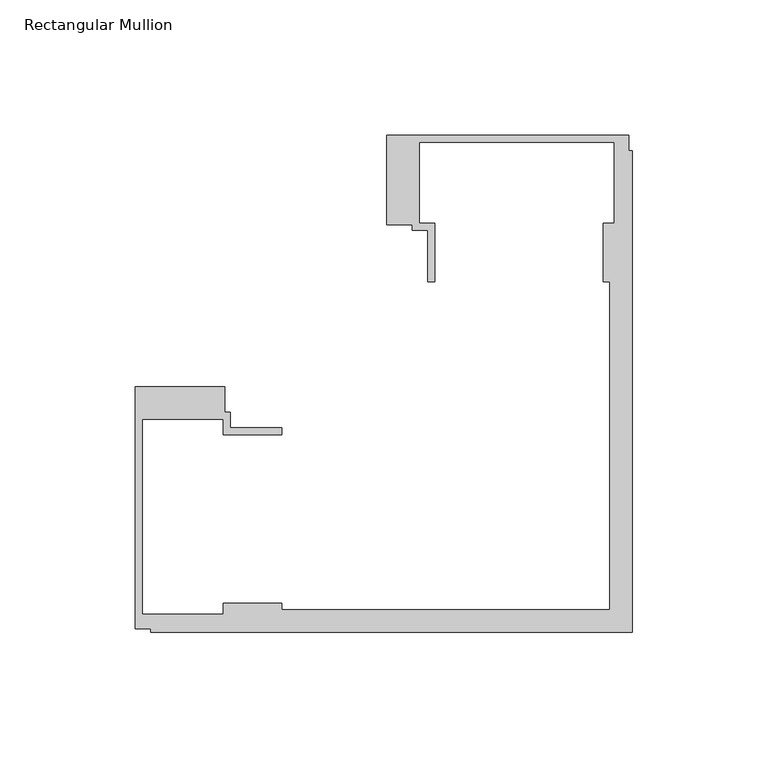
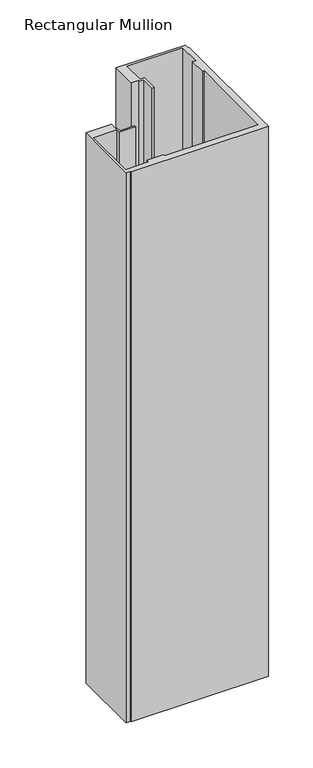
"""IFC4 building model written with IfcOpenShell, lengths in millimetres: member geometry, Rectangular Mullion."""

import ifcopenshell
import ifcopenshell.guid

model = None  # the IFC model being written
_history = None  # IfcOwnerHistory: only IFC2X3 demands one
_inside = {}  # id of a spatial element -> (the spatial element, [elements in it])
_under = {}  # id of a project, library or spatial element -> (it, [spatial elements below it])
_declared = {}  # id of a project -> (the project, [libraries it declares])
_typed = {}  # id of a type object -> (the type object, [elements of that type])
_made_of = {}  # id of a material, layer set ... -> (it, [elements and type objects made of it])


def new_model(schema):
    """Start an empty IFC model of exactly this schema.

    Asked for "IFC4X3", IfcOpenShell would pick the latest addendum, in which some entities
    have other attributes; the version numbers below select the first issue.
    IFC2X3 requires an IfcOwnerHistory on every rooted entity: one is made here for all.
    """
    global model, _history
    if schema == "IFC4X3":
        model = ifcopenshell.file(schema_version=(4, 3, 0, 0))
    else:
        model = ifcopenshell.file(schema=schema)
    _inside.clear()
    _under.clear()
    _declared.clear()
    _typed.clear()
    _made_of.clear()
    _history = None
    if model.schema == "IFC2X3":
        org = make("IfcOrganization", Name="unknown")
        user = make(
            "IfcPersonAndOrganization",
            ThePerson=make("IfcPerson", FamilyName="unknown"),
            TheOrganization=org,
        )
        app = make(
            "IfcApplication",
            ApplicationDeveloper=org,
            Version="unknown",
            ApplicationFullName="unknown",
            ApplicationIdentifier="unknown",
        )
        _history = make(
            "IfcOwnerHistory",
            OwningUser=user,
            OwningApplication=app,
            ChangeAction="ADDED",
            CreationDate=0,
        )
    return model


def make(cls, **values):
    """One entity of the class cls with the attributes given. An attribute that is None is left unset."""
    return model.create_entity(
        cls, **{name: value for name, value in values.items() if value is not None}
    )


def rooted(cls, **values):
    """An entity with a GlobalId (a new one), such as an element, a storey or a relation."""
    return make(cls, GlobalId=ifcopenshell.guid.new(), OwnerHistory=_history, **values)


def si_unit(unit_type, name, prefix=None):
    """IfcSIUnit, for example si_unit("LENGTHUNIT", "METRE", prefix="MILLI")."""
    return make("IfcSIUnit", UnitType=unit_type, Prefix=prefix, Name=name)


def assignment(units):
    """IfcUnitAssignment: the units of a project."""
    return None if units is None else make("IfcUnitAssignment", Units=units)


def point(xyz):
    """IfcCartesianPoint."""
    return None if xyz is None else make("IfcCartesianPoint", Coordinates=xyz)


def direction(xyz):
    """IfcDirection."""
    return None if xyz is None else make("IfcDirection", DirectionRatios=xyz)


def frame(location, z_axis=None, x_axis=None):
    """IfcAxis2Placement3D, a coordinate frame: its origin and axes. An axis left out is left unset."""
    return make(
        "IfcAxis2Placement3D",
        Location=point(location),
        Axis=direction(z_axis),
        RefDirection=direction(x_axis),
    )


def origin():
    """The frame at (0, 0, 0) with its axes left unset."""
    return frame((0.0, 0.0, 0.0))


def place(relative_to, where):
    """IfcLocalPlacement: puts the frame where relative to a parent placement (None: the world)."""
    return make(
        "IfcLocalPlacement", PlacementRelTo=relative_to, RelativePlacement=where
    )


def context(
    kind, dimensions, precision=None, world=None, true_north=None, identifier=None
):
    """IfcGeometricRepresentationContext, for example the 3D "Model" context."""
    return make(
        "IfcGeometricRepresentationContext",
        ContextIdentifier=identifier,
        ContextType=kind,
        CoordinateSpaceDimension=dimensions,
        Precision=precision,
        WorldCoordinateSystem=world,
        TrueNorth=true_north,
    )


def project(units=None, contexts=None):
    """IfcProject with its units and contexts."""
    return rooted(
        "IfcProject",
        Name="project",
        RepresentationContexts=contexts,
        UnitsInContext=assignment(units),
    )


def spatial(cls, under=None, at=None, **own):
    """A site, building, storey or space (cls), placed at a placement, below another one or the project."""
    s = rooted(cls, ObjectPlacement=at, **own)
    if under is not None:
        _under.setdefault(under.id(), (under, []))[1].append(s)
    return s


def polyline(points):
    """IfcPolyline through the points."""
    return make("IfcPolyline", Points=[point(p) for p in points])


def outline(outer, holes=None, kind="AREA"):
    """IfcArbitraryClosedProfileDef: a profile drawn as a closed curve; with holes, ...WithVoids."""
    if holes is None:
        return make("IfcArbitraryClosedProfileDef", ProfileType=kind, OuterCurve=outer)
    return make(
        "IfcArbitraryProfileDefWithVoids",
        ProfileType=kind,
        OuterCurve=outer,
        InnerCurves=holes,
    )


def extrude(swept, where, along, depth):
    """IfcExtrudedAreaSolid: the profile swept, set in the frame where, extruded along a direction by depth."""
    return make(
        "IfcExtrudedAreaSolid",
        SweptArea=swept,
        Position=where,
        ExtrudedDirection=direction(along),
        Depth=depth,
    )


def shape(context_of_items, identifier, shape_type, items):
    """IfcShapeRepresentation: the items that make up one representation, for example the "Body"."""
    return make(
        "IfcShapeRepresentation",
        ContextOfItems=context_of_items,
        RepresentationIdentifier=identifier,
        RepresentationType=shape_type,
        Items=items,
    )


def source(mapping_origin, context_of_items, identifier, shape_type, items):
    """IfcRepresentationMap: a shape defined once, which mapped items show again and again."""
    return make(
        "IfcRepresentationMap",
        MappingOrigin=mapping_origin,
        MappedRepresentation=shape(context_of_items, identifier, shape_type, items),
    )


def transform(
    local_origin,
    x_axis=None,
    y_axis=None,
    z_axis=None,
    scale=None,
    scale2=None,
    scale3=None,
    uniform=True,
):
    """IfcCartesianTransformationOperator3D, or its non-uniform kind. x_axis, y_axis, z_axis: its Axis1, 2, 3."""
    if uniform:
        return make(
            "IfcCartesianTransformationOperator3D",
            Axis1=direction(x_axis),
            Axis2=direction(y_axis),
            LocalOrigin=point(local_origin),
            Scale=scale,
            Axis3=direction(z_axis),
        )
    return make(
        "IfcCartesianTransformationOperator3DnonUniform",
        Axis1=direction(x_axis),
        Axis2=direction(y_axis),
        LocalOrigin=point(local_origin),
        Scale=scale,
        Axis3=direction(z_axis),
        Scale2=scale2,
        Scale3=scale3,
    )


def mapped(mapping_source, mapping_target):
    """IfcMappedItem: shows the shape of a source again, moved by a transform."""
    return make(
        "IfcMappedItem", MappingSource=mapping_source, MappingTarget=mapping_target
    )


def made_of(thing, what):
    """Note that an element or type object is made of a material, layer set ...; save() writes the relation."""
    if what is not None:
        _made_of.setdefault(what.id(), (what, []))[1].append(thing)
    return thing


def element(
    cls,
    number,
    at=None,
    inside=None,
    cuts=None,
    type_object=None,
    material=None,
    context=None,
    identifier="Body",
    shape_type=None,
    held_by="IfcProductDefinitionShape",
    body=None,
    shapes=None,
    **own,
):
    """One element of the class cls, such as IfcWall. Its Tag is "e" and its number.

    at: its placement. inside: the storey or other place that contains it. cuts: it is an
    opening in that element (IfcRelVoidsElement). A single representation is given by context,
    identifier, shape_type and body (its items); several are given by shapes. held_by: the class
    of the entity that holds the representations. save() writes the other relations.
    """
    e = rooted(cls, Tag="e%d" % number, ObjectPlacement=at, **own)
    if body is not None:
        shapes = [shape(context, identifier, shape_type, body)]
    if shapes is not None:
        e.Representation = make(held_by, Representations=shapes)
    if inside is not None:
        _inside.setdefault(inside.id(), (inside, []))[1].append(e)
    if cuts is not None:
        rooted(
            "IfcRelVoidsElement", RelatingBuildingElement=cuts, RelatedOpeningElement=e
        )
    if type_object is not None:
        _typed.setdefault(type_object.id(), (type_object, []))[1].append(e)
    return made_of(e, material)


def aggregate(whole, parts):
    """IfcRelAggregates: a whole, such as a stair, and the parts it consists of."""
    return rooted("IfcRelAggregates", RelatingObject=whole, RelatedObjects=parts)


def save(model, path):
    """Write the relations noted so far, then the file.

    IfcRelAggregates (storeys below a building ...), IfcRelContainedInSpatialStructure (elements
    in a storey), IfcRelDefinesByType, IfcRelAssociatesMaterial and IfcRelDeclares: one each for
    every whole, place, type object, material and project.
    """
    for whole, parts in _under.values():
        aggregate(whole, parts)
    for where, things in _inside.values():
        rooted(
            "IfcRelContainedInSpatialStructure",
            RelatedElements=things,
            RelatingStructure=where,
        )
    for kind, things in _typed.values():
        rooted("IfcRelDefinesByType", RelatedObjects=things, RelatingType=kind)
    for what, things in _made_of.values():
        rooted("IfcRelAssociatesMaterial", RelatedObjects=things, RelatingMaterial=what)
    for by, libraries in _declared.values():
        rooted("IfcRelDeclares", RelatingContext=by, RelatedDefinitions=libraries)
    model.write(path)


def rectangular_mullion_b66bd27b(model_context):
    return source(origin(), model_context, "Body", "SweptSolid", [
        extrude(outline(polyline([(-150.4039146, -14.9961656), (-150.4039146, -24.4862839), (-148.4039146, -24.4862839), (-148.4039146, -30.2961656), (-129.4039146, -30.2961656), (-129.4039146, -32.7961656), (-150.9039146, -32.7961656), (-150.9039146, -26.9961656), (-180.9039146, -26.9961656), (-180.9039146, -98.9961656), (-150.9039146, -98.9961656), (-150.9039146, -94.9961656), (-129.4039146, -94.9961656), (-129.4039146, -97.4961656), (-8.2039451, -97.4961656), (-8.2039451, 23.7038038), (-10.7039451, 23.7038038), (-10.7039451, 45.308114), (-6.7039451, 45.308114), (-6.7039451, 75.2038038), (-78.7039451, 75.2038038), (-78.7039451, 45.2038038), (-72.9039451, 45.2038038), (-72.9039451, 23.7038038), (-75.4039451, 23.7038038), (-75.4039451, 42.7038038), (-81.2039451, 42.7038038), (-81.2039451, 44.7038038), (-90.7039451, 44.7038038), (-90.7039451, 77.7038038), (-1.2039451, 77.7038038), (-1.2039451, 71.9884533), (0.0, 71.9884533), (0.0, -105.7001107), (-177.7039408, -105.7001107), (-177.7039408, -104.4961656), (-183.4039146, -104.4961656), (-183.4039146, -14.9961656), (-150.4039146, -14.9961656)])), frame((0.0, 0.0, -751.0229426), z_axis=(0.0, 0.0, 1.0), x_axis=(1.0, 0.0, 0.0)), (0.0, 0.0, 1.0), 751.0229426),
    ])


if __name__ == "__main__":
    model = new_model("IFC4")
    model_context = context("Model", 3, world=origin())
    ifc_project = project(units=[si_unit("LENGTHUNIT", "METRE", prefix="MILLI")], contexts=[model_context])
    site = spatial("IfcSite", under=ifc_project)
    building = spatial("IfcBuilding", under=site)
    placement = place(None, origin())
    rectangular_mullion_shape = rectangular_mullion_b66bd27b(model_context)
    element("IfcMember", 1, ObjectType="Rectangular Mullion", at=placement, inside=building, context=model_context, shape_type="MappedRepresentation", body=[
        mapped(rectangular_mullion_shape, transform((0.0, 0.0, 0.0), x_axis=(1.0, 0.0, 0.0), y_axis=(0.0, 1.0, 0.0), z_axis=(0.0, 0.0, 1.0))),
    ])
    save(model, "model.ifc")
